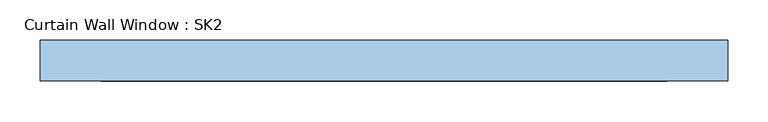
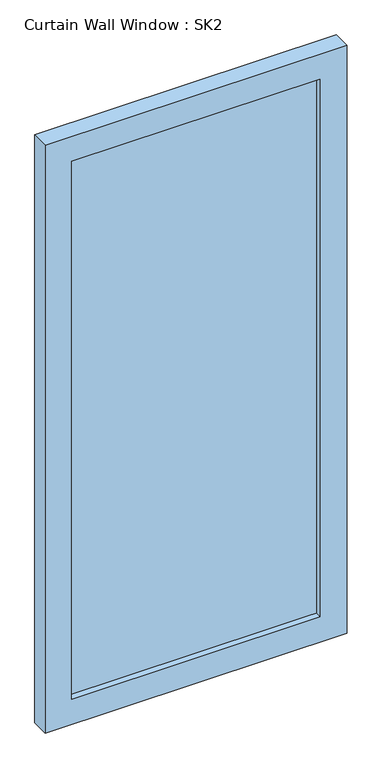
"""IFC4 building model written with IfcOpenShell, lengths in millimetres: window geometry, Curtain Wall Window : SK2."""

from ifc_helpers import new_model, si_unit, frame, origin, place, context, project, spatial, polyline, outline, extrude, source, transform, mapped, element, save


def curtain_wall_window_sk2_a425acf1(model_context):
    return source(origin(), model_context, "Body", "SweptSolid", [
        extrude(outline(polyline([(350.0, -44.05), (350.0, -56.75), (-350.0, -56.75), (-350.0, -44.05), (350.0, -44.05)])), frame((0.0, 0.0, 75.0), z_axis=(0.0, 0.0, 1.0), x_axis=(1.0, 0.0, 0.0)), (0.0, 0.0, 1.0), 1600.0),
        extrude(outline(polyline([(1750.0, -425.0), (0.0, -425.0), (0.0, 425.0), (1750.0, 425.0), (1750.0, -425.0)]), holes=[polyline([(1675.0, -350.0), (1675.0, 350.0), (75.0, 350.0), (75.0, -350.0), (1675.0, -350.0)])]), frame((0.0, -75.0, 0.0), z_axis=(0.0, 1.0, 0.0), x_axis=(0.0, 0.0, 1.0)), (0.0, 0.0, 1.0), 50.0),
    ])


if __name__ == "__main__":
    model = new_model("IFC4")
    model_context = context("Model", 3, world=origin())
    ifc_project = project(units=[si_unit("LENGTHUNIT", "METRE", prefix="MILLI")], contexts=[model_context])
    site = spatial("IfcSite", under=ifc_project)
    building = spatial("IfcBuilding", under=site)
    placement = place(None, origin())
    curtain_wall_window_sk2_shape = curtain_wall_window_sk2_a425acf1(model_context)
    element("IfcWindow", 1, ObjectType="Curtain Wall Window : SK2", at=placement, inside=building, context=model_context, shape_type="MappedRepresentation", body=[
        mapped(curtain_wall_window_sk2_shape, transform((0.0, 0.0, 0.0), x_axis=(1.0, 0.0, 0.0), y_axis=(0.0, 1.0, 0.0), z_axis=(0.0, 0.0, 1.0))),
    ])
    save(model, "model.ifc")
